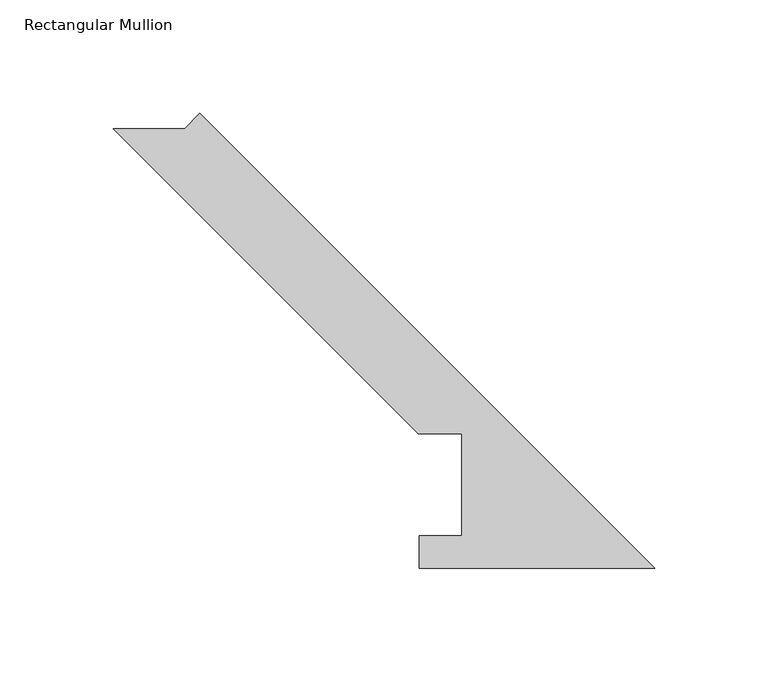
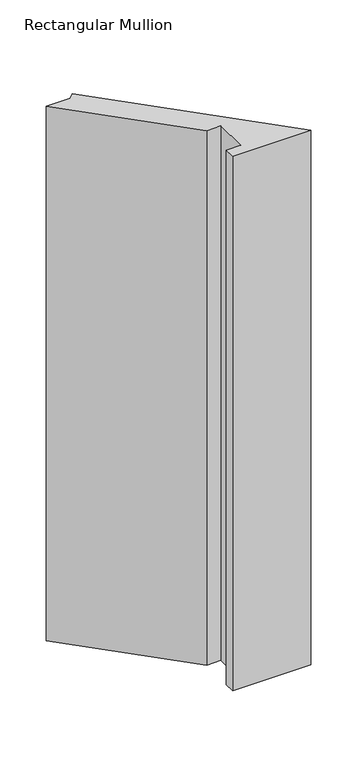
"""IFC4 building model written with IfcOpenShell, lengths in millimetres: member geometry, Rectangular Mullion."""

from ifc_helpers import new_model, si_unit, frame, origin, place, context, project, spatial, polyline, outline, extrude, source, transform, mapped, element, save


def rectangular_mullion_053dd105(model_context):
    return source(origin(), model_context, "Body", "SweptSolid", [
        extrude(outline(polyline([(0.0, 0.186986), (-103.8932205, 0.186986), (-103.8932205, 14.436386), (-85.1955446, 14.436386), (-85.1955446, 59.53125), (-104.2455446, 59.53125), (-238.7697813, 194.0554867), (-207.3388849, 194.0554867), (-200.6036928, 200.7906788), (0.0, 0.186986)])), frame((0.0, 0.0, -749.3), z_axis=(0.0, 0.0, 1.0), x_axis=(1.0, 0.0, 0.0)), (0.0, 0.0, 1.0), 749.3),
    ])


if __name__ == "__main__":
    model = new_model("IFC4")
    model_context = context("Model", 3, world=origin())
    ifc_project = project(units=[si_unit("LENGTHUNIT", "METRE", prefix="MILLI")], contexts=[model_context])
    site = spatial("IfcSite", under=ifc_project)
    building = spatial("IfcBuilding", under=site)
    placement = place(None, origin())
    rectangular_mullion_shape = rectangular_mullion_053dd105(model_context)
    element("IfcMember", 1, ObjectType="Rectangular Mullion", at=placement, inside=building, context=model_context, shape_type="MappedRepresentation", body=[
        mapped(rectangular_mullion_shape, transform((0.0, 0.0, 0.0), x_axis=(1.0, 0.0, 0.0), y_axis=(0.0, 1.0, 0.0), z_axis=(0.0, 0.0, 1.0))),
    ])
    save(model, "model.ifc")
